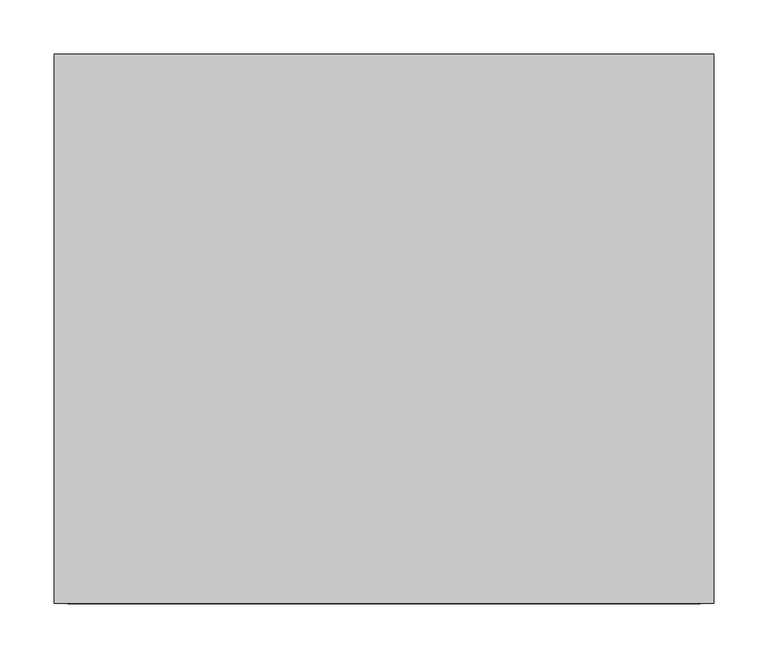
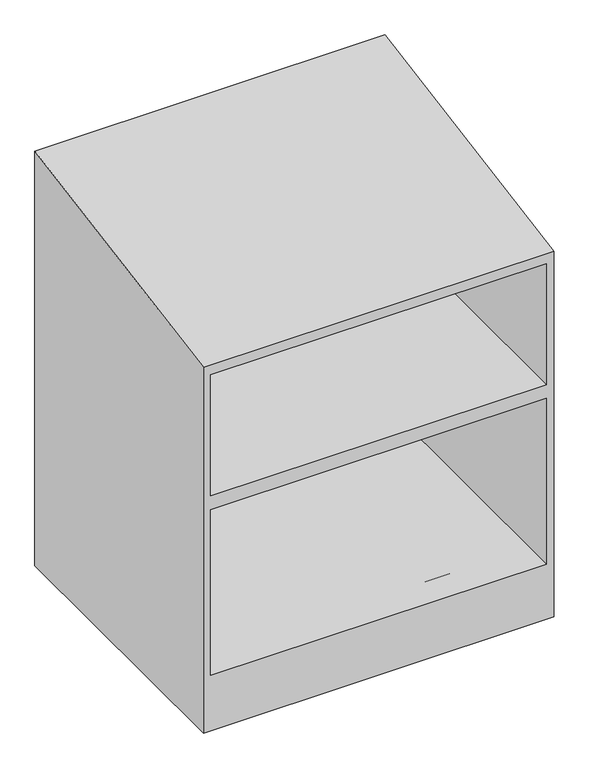
"""IFC4 building model written with IfcOpenShell, lengths in millimetres: proxy geometry."""

from ifc_helpers import new_model, si_unit, origin, origin_with_axes, place, context, project, spatial, polyline, outline, extrude, faceted_brep, source, transform, mapped, element, save


def specialty_equipment_f7054d9c(model_context):
    return source(origin(), model_context, "Body", "SolidModel", [
        faceted_brep([(292.1, 284.3865948, 654.05), (-292.1, 284.3865948, 654.05), (-292.1, 284.3865948, 431.8), (292.1, 284.3865948, 431.8), (292.1, 284.3865948, 406.4), (-292.1, 284.3865948, 406.4), (-292.1, 284.3865948, 101.6), (292.1, 284.3865948, 101.6), (292.1, -203.2, 654.05), (-292.1, -203.2, 654.05), (-292.1, -203.2, 431.8), (292.1, -203.2, 431.8), (292.1, -203.2, 406.4), (-292.1, -203.2, 406.4), (-292.1, -203.2, 101.6), (292.1, -203.2, 101.6), (304.8, 304.8, 762.0), (304.8, -203.2, 672.4258938), (304.8, -203.2, 0.0), (304.8, 304.8, 0.0), (-304.8, 304.8, 762.0), (-304.8, 304.8, 0.0), (-304.8, -203.2, 0.0), (-304.8, -203.2, 672.4258938)], [[[0, 1, 2, 3]], [[4, 5, 6, 7]], [[1, 0, 8, 9]], [[2, 1, 9, 10]], [[3, 2, 10, 11]], [[0, 3, 11, 8]], [[5, 4, 12, 13]], [[6, 5, 13, 14]], [[7, 6, 14, 15]], [[4, 7, 15, 12]], [[16, 17, 18, 19]], [[20, 21, 22, 23]], [[17, 16, 20, 23]], [[18, 17, 23, 22], [9, 8, 11, 10], [13, 12, 15, 14]], [[19, 18, 22, 21]], [[16, 19, 21, 20]]]),
        extrude(outline(polyline([(-152.4, 152.4), (152.4, 152.4), (152.4, -152.4), (-152.4, -152.4), (-152.4, 0.0), (-152.4, 152.4)])), origin_with_axes(), (0.0, 0.0, 1.0), 101.6),
    ])


if __name__ == "__main__":
    model = new_model("IFC4")
    model_context = context("Model", 3, world=origin())
    ifc_project = project(units=[si_unit("LENGTHUNIT", "METRE", prefix="MILLI")], contexts=[model_context])
    site = spatial("IfcSite", under=ifc_project)
    building = spatial("IfcBuilding", under=site)
    placement = place(None, origin())
    specialty_equipment_shape = specialty_equipment_f7054d9c(model_context)
    element("IfcBuildingElementProxy", 1, Name="Specialty Equipment", at=placement, inside=building, context=model_context, shape_type="MappedRepresentation", body=[
        mapped(specialty_equipment_shape, transform((0.0, 0.0, 0.0), x_axis=(1.0, 0.0, 0.0), y_axis=(0.0, 1.0, 0.0), z_axis=(0.0, 0.0, 1.0))),
    ])
    save(model, "model.ifc")
